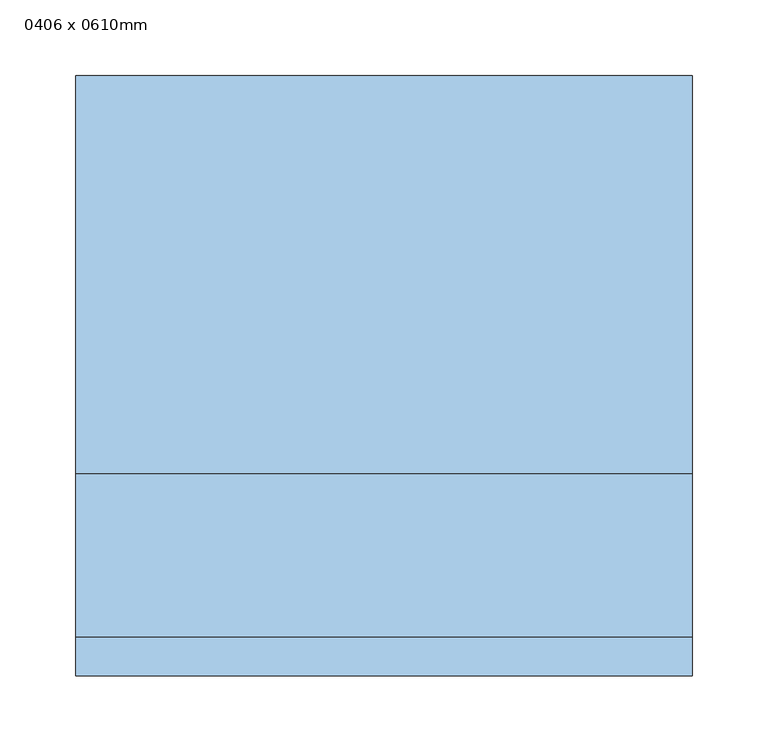
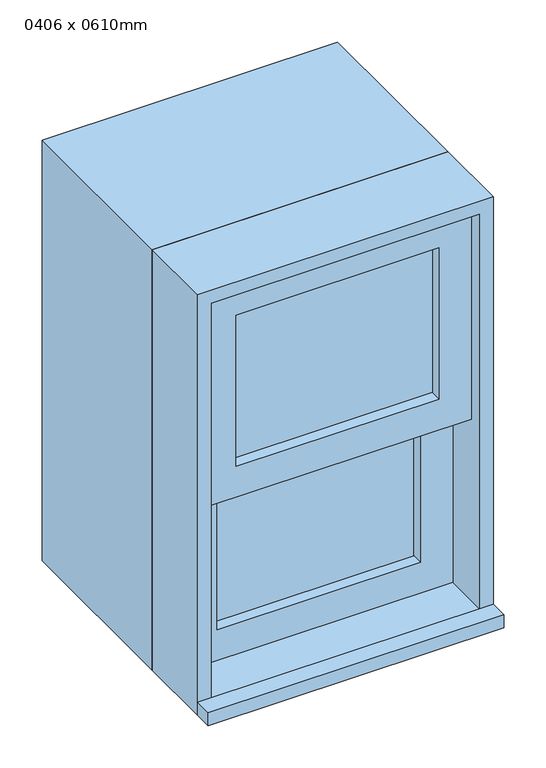
"""IFC4 building model written with IfcOpenShell, lengths in millimetres: window geometry, 0406 x 0610mm."""

from ifc_helpers import new_model, si_unit, frame, origin, place, context, project, spatial, polyline, outline, extrude, source, transform, mapped, element, save


def window_0406_x_0610mm_f96f28b8(model_context):
    return source(origin(), model_context, "Body", "SweptSolid", [
        extrude(outline(polyline([(-139.5, -105.675), (-139.5, -92.975), (139.5, -92.975), (139.5, -105.675), (-139.5, -105.675)])), frame((0.0, 0.0, 978.5), z_axis=(0.0, 0.0, 1.0), x_axis=(1.0, 0.0, 0.0)), (0.0, 0.0, 1.0), 219.275),
        extrude(outline(polyline([(1242.225, -183.95), (934.05, -183.95), (934.05, 183.95), (1242.225, 183.95), (1242.225, -183.95)]), holes=[polyline([(1197.775, -139.5), (1197.775, 139.5), (978.5, 139.5), (978.5, -139.5), (1197.775, -139.5)])]), frame((0.0, -121.55, 0.0), z_axis=(0.0, 1.0, 0.0), x_axis=(0.0, 0.0, 1.0)), (0.0, 0.0, 1.0), 44.45),
        extrude(outline(polyline([(-203.0, -210.4), (-203.0, -185.0), (203.0, -185.0), (203.0, -210.4), (-203.0, -210.4)])), frame((0.0, 0.0, 915.0), z_axis=(0.0, 0.0, 1.0), x_axis=(1.0, 0.0, 0.0)), (0.0, 0.0, 1.0), 19.05),
        extrude(outline(polyline([(139.5, -137.425), (139.5, -150.125), (-139.5, -150.125), (-139.5, -137.425), (139.5, -137.425)])), frame((0.0, 0.0, 1242.225), z_axis=(0.0, 0.0, 1.0), x_axis=(1.0, 0.0, 0.0)), (0.0, 0.0, 1.0), 219.275),
        extrude(outline(polyline([(1505.95, -183.95), (1197.775, -183.95), (1197.775, 183.95), (1505.95, 183.95), (1505.95, -183.95)]), holes=[polyline([(1461.5, -139.5), (1461.5, 139.5), (1242.225, 139.5), (1242.225, -139.5), (1461.5, -139.5)])]), frame((0.0, -166.0, 0.0), z_axis=(0.0, 1.0, 0.0), x_axis=(0.0, 0.0, 1.0)), (0.0, 0.0, 1.0), 44.45),
        extrude(outline(polyline([(1525.0, -203.0), (915.0, -203.0), (915.0, 203.0), (1525.0, 203.0), (1525.0, -203.0)]), holes=[polyline([(1493.25, -171.25), (1493.25, 171.25), (946.75, 171.25), (946.75, -171.25), (1493.25, -171.25)])]), frame((0.0, -77.1, 0.0), z_axis=(0.0, 1.0, 0.0), x_axis=(0.0, 0.0, 1.0)), (0.0, 0.0, 1.0), 262.1),
        extrude(outline(polyline([(1525.0, 203.0), (1525.0, -203.0), (915.0, -203.0), (915.0, 203.0), (1525.0, 203.0)]), holes=[polyline([(1505.95, 183.95), (934.05, 183.95), (934.05, -183.95), (1505.95, -183.95), (1505.95, 183.95)])]), frame((0.0, -185.0, 0.0), z_axis=(0.0, 1.0, 0.0), x_axis=(0.0, 0.0, 1.0)), (0.0, 0.0, 1.0), 107.9),
    ])


if __name__ == "__main__":
    model = new_model("IFC4")
    model_context = context("Model", 3, world=origin())
    ifc_project = project(units=[si_unit("LENGTHUNIT", "METRE", prefix="MILLI")], contexts=[model_context])
    site = spatial("IfcSite", under=ifc_project)
    building = spatial("IfcBuilding", under=site)
    placement = place(None, origin())
    window_0406_x_0610mm_shape = window_0406_x_0610mm_f96f28b8(model_context)
    element("IfcWindow", 1, ObjectType="0406 x 0610mm", at=placement, inside=building, context=model_context, shape_type="MappedRepresentation", body=[
        mapped(window_0406_x_0610mm_shape, transform((0.0, 0.0, 0.0), x_axis=(1.0, 0.0, 0.0), y_axis=(0.0, 1.0, 0.0), z_axis=(0.0, 0.0, 1.0))),
    ])
    save(model, "model.ifc")
